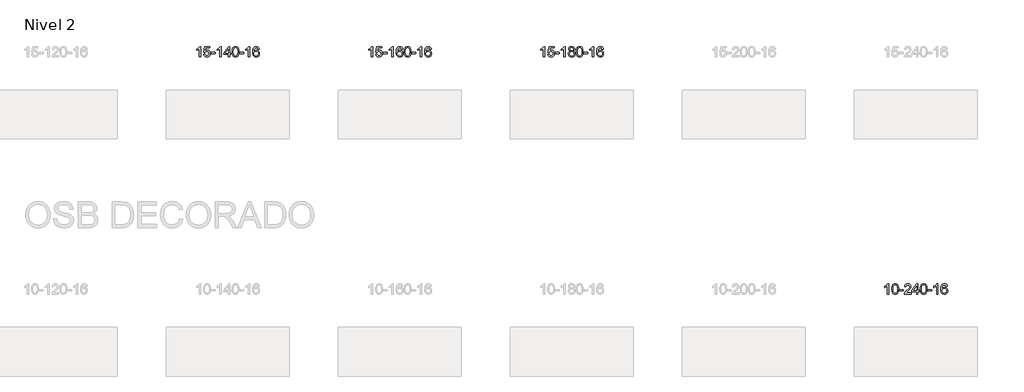
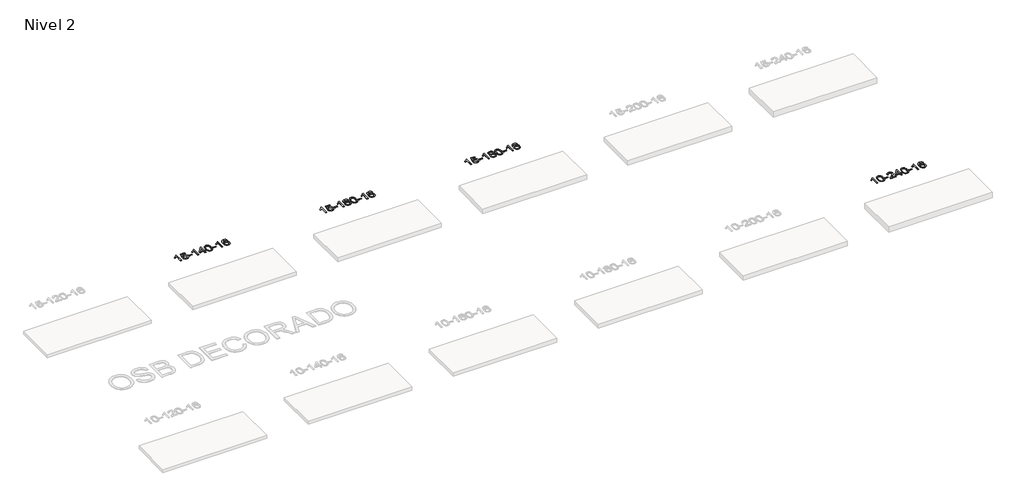
# One storey, part 36 of 51: 4 proxies.
"""IFC4 building model written with IfcOpenShell, lengths in millimetres."""

from ifc_helpers import new_model, si_unit, frame, origin, place, context, project, spatial, polyline, outline, extrude, element, save

model = new_model("IFC4")

# Units and contexts
model_context = context("Model", 3, world=origin())
ifc_project = project(units=[si_unit("LENGTHUNIT", "METRE", prefix="MILLI")], contexts=[model_context])

# Site, building, storey
site = spatial("IfcSite", under=ifc_project)
building = spatial("IfcBuilding", under=site)
storey = spatial("IfcBuildingStorey", under=building, Name="Nivel 2", Elevation=3000.0)

# Proxies
placement = place(None, origin())
element("IfcBuildingElementProxy", 1, Name="Texto de modelo 1", ObjectType="Texto de modelo 1", at=placement, inside=storey, context=model_context, shape_type="SweptSolid", body=[
    extrude(outline(polyline([(31530.5538842, -77088.6860497), (31480.3257291, -77088.6860497), (31480.3257291, -76775.5448954), (31459.3564554, -76792.5042554), (31432.7463244, -76809.4390899), (31379.869419, -76834.7984221), (31379.869419, -76787.3171193), (31419.3186316, -76765.8573362), (31453.494869, -76740.3263258), (31480.4360937, -76713.1766345), (31498.1802686, -76686.8608091), (31530.5538842, -76686.8608091), (31530.5538842, -77088.6860497)])), frame((0.0, 0.0, 3000.0), z_axis=(0.0, 0.0, 1.0), x_axis=(1.0, 0.0, 0.0)), (0.0, 0.0, 1.0), 10.0),
    extrude(outline(polyline([(31649.8457525, -76981.9512202), (31700.0739076, -76975.6727008), (31709.2954829, -77005.8267617), (31725.3841889, -77027.4214348), (31748.266449, -77040.4076692), (31777.8686868, -77044.736414), (31796.9985506, -77043.2311636), (31813.8720714, -77038.7154121), (31828.4892494, -77031.1891596), (31840.8500844, -77020.6524061), (31850.678665, -77007.6263178), (31857.6990798, -76992.6320608), (31863.3154116, -76956.7390408), (31858.0546991, -76922.9429482), (31851.4788084, -76909.024746), (31842.2725615, -76897.0931066), (31830.4053014, -76887.5220434), (31815.8463715, -76880.6855697), (31778.6535018, -76875.2163907), (31754.2874509, -76877.3991572), (31734.5567133, -76883.9474567), (31718.7991011, -76893.9783724), (31706.352427, -76906.6089876), (31656.1242719, -76900.3304682), (31700.0739076, -76693.1393285), (31894.7080085, -76693.1393285), (31894.7080085, -76743.3674836), (31740.6880799, -76743.3674836), (31719.2037713, -76854.0263877), (31736.9295521, -76841.3221962), (31755.0845286, -76832.2477736), (31773.6687007, -76826.8031201), (31792.6820685, -76824.9882356), (31817.1431555, -76827.2384471), (31839.6115484, -76833.9890817), (31860.0872471, -76845.2401394), (31878.5702516, -76860.9916202), (31893.871077, -76880.2808995), (31904.8002379, -76902.1453527), (31911.3577345, -76926.5849799), (31913.5435667, -76953.5997811), (31911.575398, -76979.6213009), (31905.670892, -77003.8279362), (31895.8300486, -77026.219687), (31882.0528679, -77046.7965532), (31861.181696, -77067.8700602), (31836.8279079, -77082.9225651), (31808.9915036, -77091.9540681), (31777.6724831, -77094.9645691), (31751.7521309, -77093.030123), (31728.3395076, -77087.2267845), (31707.4346132, -77077.5545537), (31689.0374477, -77064.0134306), (31673.7304911, -77047.2778655), (31662.096223, -77028.0223087), (31654.1346434, -77006.2467603), (31649.8457525, -76981.9512202)])), frame((0.0, 0.0, 3000.0), z_axis=(0.0, 0.0, 1.0), x_axis=(1.0, 0.0, 0.0)), (0.0, 0.0, 1.0), 10.0),
    extrude(outline(polyline([(31944.9361636, -76969.3941814), (31944.9361636, -76919.1660264), (32101.8991482, -76919.1660264), (32101.8991482, -76969.3941814), (31944.9361636, -76969.3941814)])), frame((0.0, 0.0, 3000.0), z_axis=(0.0, 0.0, 1.0), x_axis=(1.0, 0.0, 0.0)), (0.0, 0.0, 1.0), 10.0),
    extrude(outline(polyline([(32334.2043654, -77088.6860497), (32283.9762103, -77088.6860497), (32283.9762103, -76775.5448954), (32263.0069366, -76792.5042554), (32236.3968056, -76809.4390899), (32183.5199002, -76834.7984221), (32183.5199002, -76787.3171193), (32222.9691128, -76765.8573362), (32257.1453502, -76740.3263258), (32284.0865749, -76713.1766345), (32301.8307498, -76686.8608091), (32334.2043654, -76686.8608091), (32334.2043654, -77088.6860497)])), frame((0.0, 0.0, 3000.0), z_axis=(0.0, 0.0, 1.0), x_axis=(1.0, 0.0, 0.0)), (0.0, 0.0, 1.0), 10.0),
    extrude(outline(polyline([(32616.7377377, -77088.6860497), (32616.7377377, -76994.508259), (32434.6606756, -76994.508259), (32434.6606756, -76944.2801039), (32629.2947765, -76693.1393285), (32666.9658928, -76693.1393285), (32666.9658928, -76944.2801039), (32717.1940479, -76944.2801039), (32717.1940479, -76994.508259), (32666.9658928, -76994.508259), (32666.9658928, -77088.6860497), (32616.7377377, -77088.6860497)]), holes=[polyline([(32616.7377377, -76944.2801039), (32616.7377377, -76789.0829529), (32496.4648507, -76944.2801039), (32616.7377377, -76944.2801039)])]), frame((0.0, 0.0, 3000.0), z_axis=(0.0, 0.0, 1.0), x_axis=(1.0, 0.0, 0.0)), (0.0, 0.0, 1.0), 10.0),
    extrude(outline(polyline([(32761.1436835, -76891.010791), (32764.8347662, -76826.6927555), (32775.9080143, -76775.3977426), (32794.2530631, -76736.3409375), (32806.1111261, -76721.1075572), (32819.7595481, -76708.7375251), (32835.2443144, -76699.1664619), (32852.6114103, -76692.3299881), (32892.9925906, -76686.8608091), (32923.9437291, -76690.0981707), (32951.6575061, -76699.8102554), (32974.8340718, -76715.6169184), (32992.1735765, -76737.1380151), (33005.2701755, -76764.1896045), (33015.7180242, -76796.5877456), (33022.5606293, -76837.7292154), (33024.8414977, -76891.010791), (33021.1872032, -76954.9609445), (33010.2243197, -77006.13333), (32991.9896355, -77045.2269234), (32980.1591637, -77060.5062889), (32966.5199387, -77072.9407003), (32951.0167783, -77082.5761429), (32933.5945001, -77089.4586019), (32892.9925906, -77094.9645691), (32865.3278646, -77092.5733362), (32840.8023982, -77085.3996372), (32819.4161916, -77073.4434724), (32801.1692446, -77056.7048416), (32783.6580616, -77026.4465475), (32771.1500738, -76988.7447744), (32763.6452811, -76943.5995222), (32761.1436835, -76891.010791)]), holes=[polyline([(32811.3718386, -76890.9126891), (32812.8433666, -76934.5772163), (32817.2579505, -76969.921479), (32824.6155904, -76996.9454772), (32834.9162863, -77015.649211), (32847.3752232, -77028.3748623), (32861.2075862, -77037.4646133), (32876.4133754, -77042.9184639), (32892.9925906, -77044.736414), (32909.5718059, -77042.9123325), (32924.777595, -77037.4400878), (32938.609958, -77028.31968), (32951.0688949, -77015.5511091), (32961.3695908, -76996.8167185), (32968.7272307, -76969.7988516), (32973.1418146, -76934.4975085), (32974.6133426, -76890.9126891), (32973.1908656, -76848.4039246), (32968.9234344, -76813.6819956), (32961.8110492, -76786.7469022), (32951.8537098, -76767.5986443), (32939.6032394, -76754.2506593), (32925.6114609, -76744.7163842), (32909.8783742, -76738.9958192), (32892.4039794, -76737.0889642), (32875.9106033, -76738.7689587), (32860.9623316, -76743.808942), (32847.5591642, -76752.2089142), (32835.7011012, -76763.9688753), (32825.0570488, -76784.8155217), (32817.4541543, -76812.9217062), (32812.8924175, -76848.2874286), (32811.3718386, -76890.9126891)])]), frame((0.0, 0.0, 3000.0), z_axis=(0.0, 0.0, 1.0), x_axis=(1.0, 0.0, 0.0)), (0.0, 0.0, 1.0), 10.0),
    extrude(outline(polyline([(33056.2340946, -76969.3941814), (33056.2340946, -76919.1660264), (33213.1970792, -76919.1660264), (33213.1970792, -76969.3941814), (33056.2340946, -76969.3941814)])), frame((0.0, 0.0, 3000.0), z_axis=(0.0, 0.0, 1.0), x_axis=(1.0, 0.0, 0.0)), (0.0, 0.0, 1.0), 10.0),
    extrude(outline(polyline([(33445.5022964, -77088.6860497), (33395.2741414, -77088.6860497), (33395.2741414, -76775.5448954), (33374.3048676, -76792.5042554), (33347.6947367, -76809.4390899), (33294.8178312, -76834.7984221), (33294.8178312, -76787.3171193), (33334.2670438, -76765.8573362), (33368.4432812, -76740.3263258), (33395.384506, -76713.1766345), (33413.1286809, -76686.8608091), (33445.5022964, -76686.8608091), (33445.5022964, -77088.6860497)])), frame((0.0, 0.0, 3000.0), z_axis=(0.0, 0.0, 1.0), x_axis=(1.0, 0.0, 0.0)), (0.0, 0.0, 1.0), 10.0),
    extrude(outline(polyline([(33822.2134595, -76793.5956387), (33771.9853044, -76799.8741581), (33763.8919005, -76774.9808097), (33752.9535425, -76757.9846615), (33730.1693843, -76742.3128885), (33702.6272856, -76737.0889642), (33679.2790416, -76740.130122), (33657.3042238, -76749.2535955), (33638.4318774, -76768.4692984), (33623.0176218, -76794.9200139), (33612.6065614, -76832.3336128), (33608.7438004, -76884.437966), (33628.891471, -76860.9303065), (33653.0367927, -76844.363354), (33679.8308646, -76834.5409047), (33707.9247863, -76831.266755), (33732.0578452, -76833.5047038), (33754.3269687, -76840.2185502), (33774.7321567, -76851.4082942), (33793.2734092, -76867.0739358), (33808.6815334, -76886.2835074), (33819.6873365, -76908.105041), (33826.2908183, -76932.5385369), (33828.4919789, -76959.5839949), (33824.3471751, -76995.5505913), (33811.9127636, -77028.8929628), (33792.2188142, -77057.1708255), (33766.2953962, -77077.9438955), (33735.3197322, -77090.7094007), (33700.4690446, -77094.9645691), (33670.5265158, -77092.1441405), (33643.4841235, -77083.6828546), (33619.3418676, -77069.5807115), (33598.099748, -77049.837711), (33580.7817031, -77023.6199875), (33568.411671, -76990.093675), (33560.9896518, -76949.2587736), (33558.5156454, -76901.1152831), (33561.2624976, -76847.1408631), (33569.5030543, -76801.0759059), (33583.2373154, -76762.9204116), (33602.465281, -76732.6743803), (33623.3057961, -76712.6309429), (33647.4695118, -76698.3142019), (33674.9564282, -76689.7241573), (33705.7665453, -76686.8608091), (33728.9001914, -76688.6327741), (33749.8388083, -76693.9486689), (33768.582396, -76702.8084936), (33785.1309544, -76715.2122482), (33799.0368938, -76730.7429998), (33809.8526245, -76748.9838154), (33817.5781464, -76769.934695), (33822.2134595, -76793.5956387)]), holes=[polyline([(33608.7438004, -76958.79918), (33611.6500682, -76981.0560407), (33620.3688715, -77002.3073573), (33633.9069289, -77020.5788297), (33651.2709591, -77033.8961579), (33672.2279701, -77042.02635), (33696.5449699, -77044.736414), (33729.6911377, -77039.1200823), (33743.6062742, -77032.0996675), (33755.7494457, -77022.2710869), (33765.5994861, -77010.0328792), (33772.6352293, -76995.7835832), (33778.2638238, -76961.2517266), (33772.7088057, -76928.1055588), (33765.765033, -76914.484728), (33756.0437513, -76902.8320658), (33743.8637916, -76893.4970601), (33729.5439849, -76886.829199), (33694.4848308, -76881.4949101), (33661.3877139, -76886.829199), (33633.7107252, -76902.8320658), (33622.7876956, -76914.3314438), (33614.9855316, -76927.4924222), (33610.3042332, -76942.3150009), (33608.7438004, -76958.79918)])]), frame((0.0, 0.0, 3000.0), z_axis=(0.0, 0.0, 1.0), x_axis=(1.0, 0.0, 0.0)), (0.0, 0.0, 1.0), 10.0),
])
element("IfcBuildingElementProxy", 2, Name="Texto de modelo 1", ObjectType="Texto de modelo 1", at=placement, inside=storey, context=model_context, shape_type="SweptSolid", body=[
    extrude(outline(polyline([(38245.494419, -77088.6860497), (38195.266264, -77088.6860497), (38195.266264, -76775.5448954), (38174.2969902, -76792.5042554), (38147.6868593, -76809.4390899), (38094.8099538, -76834.7984221), (38094.8099538, -76787.3171193), (38134.2591664, -76765.8573362), (38168.4354038, -76740.3263258), (38195.3766286, -76713.1766345), (38213.1208035, -76686.8608091), (38245.494419, -76686.8608091), (38245.494419, -77088.6860497)])), frame((0.0, 0.0, 3000.0), z_axis=(0.0, 0.0, 1.0), x_axis=(1.0, 0.0, 0.0)), (0.0, 0.0, 1.0), 10.0),
    extrude(outline(polyline([(38364.7862873, -76981.9512202), (38415.0144424, -76975.6727008), (38424.2360178, -77005.8267617), (38440.3247237, -77027.4214348), (38463.2069838, -77040.4076692), (38492.8092217, -77044.736414), (38511.9390854, -77043.2311636), (38528.8126063, -77038.7154121), (38543.4297842, -77031.1891596), (38555.7906192, -77020.6524061), (38565.6191999, -77007.6263178), (38572.6396146, -76992.6320608), (38578.2559464, -76956.7390408), (38572.9952339, -76922.9429482), (38566.4193432, -76909.024746), (38557.2130963, -76897.0931066), (38545.3458363, -76887.5220434), (38530.7869063, -76880.6855697), (38493.5940366, -76875.2163907), (38469.2279858, -76877.3991572), (38449.4972481, -76883.9474567), (38433.739636, -76893.9783724), (38421.2929618, -76906.6089876), (38371.0648067, -76900.3304682), (38415.0144424, -76693.1393285), (38609.6485433, -76693.1393285), (38609.6485433, -76743.3674836), (38455.6286147, -76743.3674836), (38434.1443062, -76854.0263877), (38451.870087, -76841.3221962), (38470.0250634, -76832.2477736), (38488.6092355, -76826.8031201), (38507.6226033, -76824.9882356), (38532.0836903, -76827.2384471), (38554.5520832, -76833.9890817), (38575.0277819, -76845.2401394), (38593.5107865, -76860.9916202), (38608.8116118, -76880.2808995), (38619.7407727, -76902.1453527), (38626.2982693, -76926.5849799), (38628.4841015, -76953.5997811), (38626.5159328, -76979.6213009), (38620.6114268, -77003.8279362), (38610.7705834, -77026.219687), (38596.9934027, -77046.7965532), (38576.1222308, -77067.8700602), (38551.7684428, -77082.9225651), (38523.9320385, -77091.9540681), (38492.6130179, -77094.9645691), (38466.6926657, -77093.030123), (38443.2800424, -77087.2267845), (38422.375148, -77077.5545537), (38403.9779826, -77064.0134306), (38388.6710259, -77047.2778655), (38377.0367578, -77028.0223087), (38369.0751783, -77006.2467603), (38364.7862873, -76981.9512202)])), frame((0.0, 0.0, 3000.0), z_axis=(0.0, 0.0, 1.0), x_axis=(1.0, 0.0, 0.0)), (0.0, 0.0, 1.0), 10.0),
    extrude(outline(polyline([(38659.8766984, -76969.3941814), (38659.8766984, -76919.1660264), (38816.839683, -76919.1660264), (38816.839683, -76969.3941814), (38659.8766984, -76969.3941814)])), frame((0.0, 0.0, 3000.0), z_axis=(0.0, 0.0, 1.0), x_axis=(1.0, 0.0, 0.0)), (0.0, 0.0, 1.0), 10.0),
    extrude(outline(polyline([(39049.1449002, -77088.6860497), (38998.9167452, -77088.6860497), (38998.9167452, -76775.5448954), (38977.9474714, -76792.5042554), (38951.3373404, -76809.4390899), (38898.460435, -76834.7984221), (38898.460435, -76787.3171193), (38937.9096476, -76765.8573362), (38972.085885, -76740.3263258), (38999.0271098, -76713.1766345), (39016.7712847, -76686.8608091), (39049.1449002, -76686.8608091), (39049.1449002, -77088.6860497)])), frame((0.0, 0.0, 3000.0), z_axis=(0.0, 0.0, 1.0), x_axis=(1.0, 0.0, 0.0)), (0.0, 0.0, 1.0), 10.0),
    extrude(outline(polyline([(39425.8560633, -76793.5956387), (39375.6279082, -76799.8741581), (39367.5345043, -76774.9808097), (39356.5961463, -76757.9846615), (39333.8119881, -76742.3128885), (39306.2698894, -76737.0889642), (39282.9216454, -76740.130122), (39260.9468276, -76749.2535955), (39242.0744812, -76768.4692984), (39226.6602256, -76794.9200139), (39216.2491652, -76832.3336128), (39212.3864042, -76884.437966), (39232.5340748, -76860.9303065), (39256.6793964, -76844.363354), (39283.4734684, -76834.5409047), (39311.5673901, -76831.266755), (39335.700449, -76833.5047038), (39357.9695725, -76840.2185502), (39378.3747604, -76851.4082942), (39396.916013, -76867.0739358), (39412.3241372, -76886.2835074), (39423.3299403, -76908.105041), (39429.9334221, -76932.5385369), (39432.1345827, -76959.5839949), (39427.9897789, -76995.5505913), (39415.5553674, -77028.8929628), (39395.861418, -77057.1708255), (39369.938, -77077.9438955), (39338.962336, -77090.7094007), (39304.1116484, -77094.9645691), (39274.1691196, -77092.1441405), (39247.1267273, -77083.6828546), (39222.9844714, -77069.5807115), (39201.7423518, -77049.837711), (39184.4243069, -77023.6199875), (39172.0542748, -76990.093675), (39164.6322556, -76949.2587736), (39162.1582492, -76901.1152831), (39164.9051014, -76847.1408631), (39173.1456581, -76801.0759059), (39186.8799192, -76762.9204116), (39206.1078848, -76732.6743803), (39226.9483999, -76712.6309429), (39251.1121156, -76698.3142019), (39278.599032, -76689.7241573), (39309.4091491, -76686.8608091), (39332.5427952, -76688.6327741), (39353.4814121, -76693.9486689), (39372.2249998, -76702.8084936), (39388.7735582, -76715.2122482), (39402.6794976, -76730.7429998), (39413.4952283, -76748.9838154), (39421.2207502, -76769.934695), (39425.8560633, -76793.5956387)]), holes=[polyline([(39212.3864042, -76958.79918), (39215.292672, -76981.0560407), (39224.0114753, -77002.3073573), (39237.5495327, -77020.5788297), (39254.9135629, -77033.8961579), (39275.8705739, -77042.02635), (39300.1875737, -77044.736414), (39333.3337415, -77039.1200823), (39347.248878, -77032.0996675), (39359.3920495, -77022.2710869), (39369.2420899, -77010.0328792), (39376.2778331, -76995.7835832), (39381.9064276, -76961.2517266), (39376.3514095, -76928.1055588), (39369.4076368, -76914.484728), (39359.6863551, -76902.8320658), (39347.5063954, -76893.4970601), (39333.1865887, -76886.829199), (39298.1274346, -76881.4949101), (39265.0303177, -76886.829199), (39237.353329, -76902.8320658), (39226.4302994, -76914.3314438), (39218.6281354, -76927.4924222), (39213.946837, -76942.3150009), (39212.3864042, -76958.79918)])]), frame((0.0, 0.0, 3000.0), z_axis=(0.0, 0.0, 1.0), x_axis=(1.0, 0.0, 0.0)), (0.0, 0.0, 1.0), 10.0),
    extrude(outline(polyline([(39476.0842184, -76891.010791), (39479.7753011, -76826.6927555), (39490.8485491, -76775.3977426), (39509.1935979, -76736.3409375), (39521.0516609, -76721.1075572), (39534.7000829, -76708.7375251), (39550.1848492, -76699.1664619), (39567.5519451, -76692.3299881), (39607.9331254, -76686.8608091), (39638.884264, -76690.0981707), (39666.5980409, -76699.8102554), (39689.7746066, -76715.6169184), (39707.1141113, -76737.1380151), (39720.2107104, -76764.1896045), (39730.658559, -76796.5877456), (39737.5011641, -76837.7292154), (39739.7820325, -76891.010791), (39736.127738, -76954.9609445), (39725.1648546, -77006.13333), (39706.9301703, -77045.2269234), (39695.0996985, -77060.5062889), (39681.4604735, -77072.9407003), (39665.9573131, -77082.5761429), (39648.535035, -77089.4586019), (39607.9331254, -77094.9645691), (39580.2683994, -77092.5733362), (39555.7429331, -77085.3996372), (39534.3567264, -77073.4434724), (39516.1097794, -77056.7048416), (39498.5985965, -77026.4465475), (39486.0906086, -76988.7447744), (39478.5858159, -76943.5995222), (39476.0842184, -76891.010791)]), holes=[polyline([(39526.3123734, -76890.9126891), (39527.7839014, -76934.5772163), (39532.1984854, -76969.921479), (39539.5561253, -76996.9454772), (39549.8568211, -77015.649211), (39562.315758, -77028.3748623), (39576.1481211, -77037.4646133), (39591.3539102, -77042.9184639), (39607.9331254, -77044.736414), (39624.5123407, -77042.9123325), (39639.7181298, -77037.4400878), (39653.5504928, -77028.31968), (39666.0094297, -77015.5511091), (39676.3101256, -76996.8167185), (39683.6677655, -76969.7988516), (39688.0823495, -76934.4975085), (39689.5538774, -76890.9126891), (39688.1314004, -76848.4039246), (39683.8639692, -76813.6819956), (39676.751584, -76786.7469022), (39666.7942447, -76767.5986443), (39654.5437742, -76754.2506593), (39640.5519957, -76744.7163842), (39624.818909, -76738.9958192), (39607.3445142, -76737.0889642), (39590.8511381, -76738.7689587), (39575.9028664, -76743.808942), (39562.499699, -76752.2089142), (39550.6416361, -76763.9688753), (39539.9975837, -76784.8155217), (39532.3946891, -76812.9217062), (39527.8329524, -76848.2874286), (39526.3123734, -76890.9126891)])]), frame((0.0, 0.0, 3000.0), z_axis=(0.0, 0.0, 1.0), x_axis=(1.0, 0.0, 0.0)), (0.0, 0.0, 1.0), 10.0),
    extrude(outline(polyline([(39771.1746294, -76969.3941814), (39771.1746294, -76919.1660264), (39928.137614, -76919.1660264), (39928.137614, -76969.3941814), (39771.1746294, -76969.3941814)])), frame((0.0, 0.0, 3000.0), z_axis=(0.0, 0.0, 1.0), x_axis=(1.0, 0.0, 0.0)), (0.0, 0.0, 1.0), 10.0),
    extrude(outline(polyline([(40160.4428313, -77088.6860497), (40110.2146762, -77088.6860497), (40110.2146762, -76775.5448954), (40089.2454025, -76792.5042554), (40062.6352715, -76809.4390899), (40009.758366, -76834.7984221), (40009.758366, -76787.3171193), (40049.2075787, -76765.8573362), (40083.383816, -76740.3263258), (40110.3250408, -76713.1766345), (40128.0692157, -76686.8608091), (40160.4428313, -76686.8608091), (40160.4428313, -77088.6860497)])), frame((0.0, 0.0, 3000.0), z_axis=(0.0, 0.0, 1.0), x_axis=(1.0, 0.0, 0.0)), (0.0, 0.0, 1.0), 10.0),
    extrude(outline(polyline([(40537.1539943, -76793.5956387), (40486.9258392, -76799.8741581), (40478.8324354, -76774.9808097), (40467.8940774, -76757.9846615), (40445.1099191, -76742.3128885), (40417.5678204, -76737.0889642), (40394.2195765, -76740.130122), (40372.2447586, -76749.2535955), (40353.3724123, -76768.4692984), (40337.9581567, -76794.9200139), (40327.5470962, -76832.3336128), (40323.6843353, -76884.437966), (40343.8320059, -76860.9303065), (40367.9773275, -76844.363354), (40394.7713995, -76834.5409047), (40422.8653212, -76831.266755), (40446.99838, -76833.5047038), (40469.2675035, -76840.2185502), (40489.6726915, -76851.4082942), (40508.213944, -76867.0739358), (40523.6220683, -76886.2835074), (40534.6278713, -76908.105041), (40541.2313531, -76932.5385369), (40543.4325137, -76959.5839949), (40539.2877099, -76995.5505913), (40526.8532985, -77028.8929628), (40507.159349, -77057.1708255), (40481.2359311, -77077.9438955), (40450.2602671, -77090.7094007), (40415.4095794, -77094.9645691), (40385.4670507, -77092.1441405), (40358.4246583, -77083.6828546), (40334.2824024, -77069.5807115), (40313.0402829, -77049.837711), (40295.7222379, -77023.6199875), (40283.3522059, -76990.093675), (40275.9301866, -76949.2587736), (40273.4561802, -76901.1152831), (40276.2030324, -76847.1408631), (40284.4435891, -76801.0759059), (40298.1778503, -76762.9204116), (40317.4058159, -76732.6743803), (40338.2463309, -76712.6309429), (40362.4100466, -76698.3142019), (40389.896963, -76689.7241573), (40420.7070801, -76686.8608091), (40443.8407262, -76688.6327741), (40464.7793431, -76693.9486689), (40483.5229308, -76702.8084936), (40500.0714892, -76715.2122482), (40513.9774286, -76730.7429998), (40524.7931593, -76748.9838154), (40532.5186812, -76769.934695), (40537.1539943, -76793.5956387)]), holes=[polyline([(40323.6843353, -76958.79918), (40326.590603, -76981.0560407), (40335.3094063, -77002.3073573), (40348.8474637, -77020.5788297), (40366.2114939, -77033.8961579), (40387.1685049, -77042.02635), (40411.4855048, -77044.736414), (40444.6316725, -77039.1200823), (40458.546809, -77032.0996675), (40470.6899805, -77022.2710869), (40480.5400209, -77010.0328792), (40487.5757641, -76995.7835832), (40493.2043586, -76961.2517266), (40487.6493405, -76928.1055588), (40480.7055678, -76914.484728), (40470.9842861, -76902.8320658), (40458.8043264, -76893.4970601), (40444.4845197, -76886.829199), (40409.4253656, -76881.4949101), (40376.3282488, -76886.829199), (40348.65126, -76902.8320658), (40337.7282304, -76914.3314438), (40329.9260664, -76927.4924222), (40325.2447681, -76942.3150009), (40323.6843353, -76958.79918)])]), frame((0.0, 0.0, 3000.0), z_axis=(0.0, 0.0, 1.0), x_axis=(1.0, 0.0, 0.0)), (0.0, 0.0, 1.0), 10.0),
])
element("IfcBuildingElementProxy", 3, Name="Texto de modelo 1", ObjectType="Texto de modelo 1", at=placement, inside=storey, context=model_context, shape_type="SweptSolid", body=[
    extrude(outline(polyline([(44960.4349539, -77088.6860497), (44910.2067988, -77088.6860497), (44910.2067988, -76775.5448954), (44889.2375251, -76792.5042554), (44862.6273941, -76809.4390899), (44809.7504886, -76834.7984221), (44809.7504886, -76787.3171193), (44849.1997013, -76765.8573362), (44883.3759386, -76740.3263258), (44910.3171634, -76713.1766345), (44928.0613383, -76686.8608091), (44960.4349539, -76686.8608091), (44960.4349539, -77088.6860497)])), frame((0.0, 0.0, 3000.0), z_axis=(0.0, 0.0, 1.0), x_axis=(1.0, 0.0, 0.0)), (0.0, 0.0, 1.0), 10.0),
    extrude(outline(polyline([(45079.7268222, -76981.9512202), (45129.9549772, -76975.6727008), (45139.1765526, -77005.8267617), (45155.2652585, -77027.4214348), (45178.1475186, -77040.4076692), (45207.7497565, -77044.736414), (45226.8796202, -77043.2311636), (45243.7531411, -77038.7154121), (45258.370319, -77031.1891596), (45270.7311541, -77020.6524061), (45280.5597347, -77007.6263178), (45287.5801494, -76992.6320608), (45293.1964812, -76956.7390408), (45287.9357687, -76922.9429482), (45281.359878, -76909.024746), (45272.1536311, -76897.0931066), (45260.2863711, -76887.5220434), (45245.7274411, -76880.6855697), (45208.5345714, -76875.2163907), (45184.1685206, -76877.3991572), (45164.4377829, -76883.9474567), (45148.6801708, -76893.9783724), (45136.2334966, -76906.6089876), (45086.0053415, -76900.3304682), (45129.9549772, -76693.1393285), (45324.5890782, -76693.1393285), (45324.5890782, -76743.3674836), (45170.5691495, -76743.3674836), (45149.084841, -76854.0263877), (45166.8106218, -76841.3221962), (45184.9655982, -76832.2477736), (45203.5497704, -76826.8031201), (45222.5631382, -76824.9882356), (45247.0242252, -76827.2384471), (45269.492618, -76833.9890817), (45289.9683167, -76845.2401394), (45308.4513213, -76860.9916202), (45323.7521466, -76880.2808995), (45334.6813076, -76902.1453527), (45341.2388041, -76926.5849799), (45343.4246363, -76953.5997811), (45341.4564676, -76979.6213009), (45335.5519616, -77003.8279362), (45325.7111182, -77026.219687), (45311.9339375, -77046.7965532), (45291.0627657, -77067.8700602), (45266.7089776, -77082.9225651), (45238.8725733, -77091.9540681), (45207.5535528, -77094.9645691), (45181.6332005, -77093.030123), (45158.2205772, -77087.2267845), (45137.3156828, -77077.5545537), (45118.9185174, -77064.0134306), (45103.6115607, -77047.2778655), (45091.9772926, -77028.0223087), (45084.0157131, -77006.2467603), (45079.7268222, -76981.9512202)])), frame((0.0, 0.0, 3000.0), z_axis=(0.0, 0.0, 1.0), x_axis=(1.0, 0.0, 0.0)), (0.0, 0.0, 1.0), 10.0),
    extrude(outline(polyline([(45374.8172332, -76969.3941814), (45374.8172332, -76919.1660264), (45531.7802178, -76919.1660264), (45531.7802178, -76969.3941814), (45374.8172332, -76969.3941814)])), frame((0.0, 0.0, 3000.0), z_axis=(0.0, 0.0, 1.0), x_axis=(1.0, 0.0, 0.0)), (0.0, 0.0, 1.0), 10.0),
    extrude(outline(polyline([(45764.0854351, -77088.6860497), (45713.85728, -77088.6860497), (45713.85728, -76775.5448954), (45692.8880063, -76792.5042554), (45666.2778753, -76809.4390899), (45613.4009698, -76834.7984221), (45613.4009698, -76787.3171193), (45652.8501824, -76765.8573362), (45687.0264198, -76740.3263258), (45713.9676446, -76713.1766345), (45731.7118195, -76686.8608091), (45764.0854351, -76686.8608091), (45764.0854351, -77088.6860497)])), frame((0.0, 0.0, 3000.0), z_axis=(0.0, 0.0, 1.0), x_axis=(1.0, 0.0, 0.0)), (0.0, 0.0, 1.0), 10.0),
    extrude(outline(polyline([(45956.5612949, -76867.3682414), (45929.6691211, -76854.1244896), (45910.7967747, -76836.1718482), (45899.6499503, -76813.8781993), (45895.9343421, -76787.6114249), (45897.9576931, -76767.1265291), (45904.027746, -76748.3461533), (45914.1445009, -76731.2702973), (45928.3079577, -76715.8989613), (45945.8375348, -76703.1947697), (45966.0526504, -76694.1203472), (45988.9533046, -76688.6756936), (46014.5394974, -76686.8608091), (46040.2483175, -76688.7186132), (46063.3206499, -76694.2920254), (46083.7564948, -76703.5810458), (46101.555852, -76716.5856743), (46115.9768262, -76732.2574473), (46126.277522, -76749.5479011), (46132.4579396, -76768.4570357), (46134.5180787, -76788.984851), (46130.8515215, -76814.4054969), (46119.8518499, -76836.319001), (46101.3964364, -76854.1612778), (46075.3626539, -76867.3682414), (46106.2770042, -76883.2975318), (46128.7791196, -76906.7561404), (46142.501118, -76936.6158957), (46147.0751175, -76971.7486262), (46144.8065119, -76996.8013901), (46138.000695, -77019.7694893), (46126.6576668, -77040.6529239), (46110.7774273, -77059.4516939), (46091.1938424, -77074.9885768), (46068.740778, -77086.0863503), (46043.418234, -77092.7450144), (46015.2262104, -77094.9645691), (45987.0341869, -77092.7358174), (45961.7116429, -77086.0495621), (45939.2585784, -77074.9058033), (45919.6749936, -77059.3045411), (45903.7947541, -77040.3739467), (45892.4517259, -77019.2421918), (45885.645909, -76995.9092762), (45883.3773034, -76970.3752001), (45888.1352438, -76933.8813062), (45902.4090652, -76903.8621354), (45925.4630036, -76881.3477573), (45956.5612949, -76867.3682414)]), holes=[polyline([(45933.6054584, -76968.6093665), (45935.7023858, -76987.8250694), (45941.9931679, -77006.4276356), (45953.6059762, -77022.6512316), (45971.6689822, -77034.7300238), (45993.3004435, -77042.2348165), (46015.6186179, -77044.736414), (46049.807118, -77039.4757015), (46063.7007947, -77032.8998109), (46075.4607558, -77023.6935639), (46091.5004108, -76999.793497), (46096.8469624, -76970.1789964), (46091.3287325, -76940.0617237), (46074.7740427, -76915.6343592), (46062.6952505, -76906.1920547), (46048.5317937, -76899.4475514), (46013.9508862, -76894.0519488), (45980.2406327, -76899.373975), (45966.5033059, -76906.0265078), (45954.8445123, -76915.3400536), (45938.9152219, -76939.3014342), (45933.6054584, -76968.6093665)]), polyline([(45946.1624972, -76789.0829529), (45950.6138693, -76811.0087198), (45963.9679858, -76828.5199027), (45985.832439, -76839.997821), (46015.8148216, -76843.8237937), (46045.0982284, -76840.0223465), (46066.6315879, -76828.6180046), (46079.8753397, -76811.6954328), (46084.2899237, -76791.3392958), (46079.7281869, -76770.2106065), (46066.0429767, -76752.7362117), (46044.2153117, -76741.0007761), (46015.2262104, -76737.0889642), (45986.0531682, -76740.914937), (45964.2622914, -76752.3928552), (45950.6874457, -76769.2173251), (45946.1624972, -76789.0829529)])]), frame((0.0, 0.0, 3000.0), z_axis=(0.0, 0.0, 1.0), x_axis=(1.0, 0.0, 0.0)), (0.0, 0.0, 1.0), 10.0),
    extrude(outline(polyline([(46191.0247532, -76891.010791), (46194.7158359, -76826.6927555), (46205.7890839, -76775.3977426), (46224.1341328, -76736.3409375), (46235.9921957, -76721.1075572), (46249.6406178, -76708.7375251), (46265.1253841, -76699.1664619), (46282.4924799, -76692.3299881), (46322.8736603, -76686.8608091), (46353.8247988, -76690.0981707), (46381.5385758, -76699.8102554), (46404.7151415, -76715.6169184), (46422.0546462, -76737.1380151), (46435.1512452, -76764.1896045), (46445.5990939, -76796.5877456), (46452.441699, -76837.7292154), (46454.7225673, -76891.010791), (46451.0682729, -76954.9609445), (46440.1053894, -77006.13333), (46421.8707052, -77045.2269234), (46410.0402333, -77060.5062889), (46396.4010084, -77072.9407003), (46380.897848, -77082.5761429), (46363.4755698, -77089.4586019), (46322.8736603, -77094.9645691), (46295.2089342, -77092.5733362), (46270.6834679, -77085.3996372), (46249.2972612, -77073.4434724), (46231.0503143, -77056.7048416), (46213.5391313, -77026.4465475), (46201.0311435, -76988.7447744), (46193.5263508, -76943.5995222), (46191.0247532, -76891.010791)]), holes=[polyline([(46241.2529083, -76890.9126891), (46242.7244362, -76934.5772163), (46247.1390202, -76969.921479), (46254.4966601, -76996.9454772), (46264.797356, -77015.649211), (46277.2562929, -77028.3748623), (46291.0886559, -77037.4646133), (46306.294445, -77042.9184639), (46322.8736603, -77044.736414), (46339.4528755, -77042.9123325), (46354.6586646, -77037.4400878), (46368.4910277, -77028.31968), (46380.9499646, -77015.5511091), (46391.2506604, -76996.8167185), (46398.6083003, -76969.7988516), (46403.0228843, -76934.4975085), (46404.4944123, -76890.9126891), (46403.0719352, -76848.4039246), (46398.8045041, -76813.6819956), (46391.6921188, -76786.7469022), (46381.7347795, -76767.5986443), (46369.4843091, -76754.2506593), (46355.4925305, -76744.7163842), (46339.7594438, -76738.9958192), (46322.2850491, -76737.0889642), (46305.791673, -76738.7689587), (46290.8434012, -76743.808942), (46277.4402339, -76752.2089142), (46265.5821709, -76763.9688753), (46254.9381185, -76784.8155217), (46247.3352239, -76812.9217062), (46242.7734872, -76848.2874286), (46241.2529083, -76890.9126891)])]), frame((0.0, 0.0, 3000.0), z_axis=(0.0, 0.0, 1.0), x_axis=(1.0, 0.0, 0.0)), (0.0, 0.0, 1.0), 10.0),
    extrude(outline(polyline([(46486.1151643, -76969.3941814), (46486.1151643, -76919.1660264), (46643.0781489, -76919.1660264), (46643.0781489, -76969.3941814), (46486.1151643, -76969.3941814)])), frame((0.0, 0.0, 3000.0), z_axis=(0.0, 0.0, 1.0), x_axis=(1.0, 0.0, 0.0)), (0.0, 0.0, 1.0), 10.0),
    extrude(outline(polyline([(46875.3833661, -77088.6860497), (46825.155211, -77088.6860497), (46825.155211, -76775.5448954), (46804.1859373, -76792.5042554), (46777.5758063, -76809.4390899), (46724.6989009, -76834.7984221), (46724.6989009, -76787.3171193), (46764.1481135, -76765.8573362), (46798.3243508, -76740.3263258), (46825.2655756, -76713.1766345), (46843.0097505, -76686.8608091), (46875.3833661, -76686.8608091), (46875.3833661, -77088.6860497)])), frame((0.0, 0.0, 3000.0), z_axis=(0.0, 0.0, 1.0), x_axis=(1.0, 0.0, 0.0)), (0.0, 0.0, 1.0), 10.0),
    extrude(outline(polyline([(47252.0945291, -76793.5956387), (47201.8663741, -76799.8741581), (47193.7729702, -76774.9808097), (47182.8346122, -76757.9846615), (47160.050454, -76742.3128885), (47132.5083552, -76737.0889642), (47109.1601113, -76740.130122), (47087.1852934, -76749.2535955), (47068.3129471, -76768.4692984), (47052.8986915, -76794.9200139), (47042.487631, -76832.3336128), (47038.6248701, -76884.437966), (47058.7725407, -76860.9303065), (47082.9178623, -76844.363354), (47109.7119343, -76834.5409047), (47137.805856, -76831.266755), (47161.9389149, -76833.5047038), (47184.2080383, -76840.2185502), (47204.6132263, -76851.4082942), (47223.1544789, -76867.0739358), (47238.5626031, -76886.2835074), (47249.5684061, -76908.105041), (47256.1718879, -76932.5385369), (47258.3730485, -76959.5839949), (47254.2282447, -76995.5505913), (47241.7938333, -77028.8929628), (47222.0998838, -77057.1708255), (47196.1764659, -77077.9438955), (47165.2008019, -77090.7094007), (47130.3501142, -77094.9645691), (47100.4075855, -77092.1441405), (47073.3651932, -77083.6828546), (47049.2229372, -77069.5807115), (47027.9808177, -77049.837711), (47010.6627728, -77023.6199875), (46998.2927407, -76990.093675), (46990.8707214, -76949.2587736), (46988.396715, -76901.1152831), (46991.1435672, -76847.1408631), (46999.3841239, -76801.0759059), (47013.1183851, -76762.9204116), (47032.3463507, -76732.6743803), (47053.1868657, -76712.6309429), (47077.3505814, -76698.3142019), (47104.8374978, -76689.7241573), (47135.6476149, -76686.8608091), (47158.7812611, -76688.6327741), (47179.719878, -76693.9486689), (47198.4634656, -76702.8084936), (47215.012024, -76715.2122482), (47228.9179635, -76730.7429998), (47239.7336941, -76748.9838154), (47247.459216, -76769.934695), (47252.0945291, -76793.5956387)]), holes=[polyline([(47038.6248701, -76958.79918), (47041.5311378, -76981.0560407), (47050.2499411, -77002.3073573), (47063.7879986, -77020.5788297), (47081.1520287, -77033.8961579), (47102.1090397, -77042.02635), (47126.4260396, -77044.736414), (47159.5722074, -77039.1200823), (47173.4873438, -77032.0996675), (47185.6305154, -77022.2710869), (47195.4805558, -77010.0328792), (47202.5162989, -76995.7835832), (47208.1448935, -76961.2517266), (47202.5898753, -76928.1055588), (47195.6461027, -76914.484728), (47185.9248209, -76902.8320658), (47173.7448612, -76893.4970601), (47159.4250546, -76886.829199), (47124.3659004, -76881.4949101), (47091.2687836, -76886.829199), (47063.5917948, -76902.8320658), (47052.6687652, -76914.3314438), (47044.8666013, -76927.4924222), (47040.1853029, -76942.3150009), (47038.6248701, -76958.79918)])]), frame((0.0, 0.0, 3000.0), z_axis=(0.0, 0.0, 1.0), x_axis=(1.0, 0.0, 0.0)), (0.0, 0.0, 1.0), 10.0),
])
element("IfcBuildingElementProxy", 4, Name="Texto de modelo 1", ObjectType="Texto de modelo 1", at=placement, inside=storey, context=model_context, shape_type="SweptSolid", body=[
    extrude(outline(polyline([(58390.3160235, -86347.0667526), (58340.0878684, -86347.0667526), (58340.0878684, -86033.9255983), (58319.1185947, -86050.8849583), (58292.5084637, -86067.8197928), (58239.6315583, -86093.179125), (58239.6315583, -86045.6978222), (58279.0807709, -86024.2380391), (58313.2570083, -85998.7070287), (58340.198233, -85971.5573374), (58357.9424079, -85945.241512), (58390.3160235, -85945.241512), (58390.3160235, -86347.0667526)])), frame((0.0, 0.0, 3000.0), z_axis=(0.0, 0.0, 1.0), x_axis=(1.0, 0.0, 0.0)), (0.0, 0.0, 1.0), 10.0),
    extrude(outline(polyline([(58509.6078918, -86149.3914939), (58513.2989745, -86085.0734584), (58524.3722226, -86033.7784455), (58542.7172714, -85994.7216404), (58554.5753344, -85979.4882601), (58568.2237564, -85967.118228), (58583.7085227, -85957.5471648), (58601.0756185, -85950.710691), (58641.4567989, -85945.241512), (58672.4079374, -85948.4788736), (58700.1217144, -85958.1909583), (58723.2982801, -85973.9976213), (58740.6377848, -85995.518718), (58753.7343838, -86022.5703074), (58764.1822325, -86054.9684485), (58771.0248376, -86096.1099183), (58773.305706, -86149.3914939), (58769.6514115, -86213.3416474), (58758.688528, -86264.5140329), (58740.4538438, -86303.6076263), (58728.623372, -86318.8869918), (58714.984147, -86331.3214032), (58699.4809866, -86340.9568458), (58682.0587084, -86347.8393048), (58641.4567989, -86353.345272), (58613.7920728, -86350.9540391), (58589.2666065, -86343.7803401), (58567.8803998, -86331.8241753), (58549.6334529, -86315.0855445), (58532.1222699, -86284.8272504), (58519.6142821, -86247.1254773), (58512.1094894, -86201.9802251), (58509.6078918, -86149.3914939)]), holes=[polyline([(58559.8360469, -86149.293392), (58561.3075749, -86192.9579192), (58565.7221588, -86228.3021819), (58573.0797987, -86255.3261801), (58583.3804946, -86274.0299139), (58595.8394315, -86286.7555652), (58609.6717945, -86295.8453162), (58624.8775836, -86301.2991668), (58641.4567989, -86303.1171169), (58658.0360141, -86301.2930354), (58673.2418033, -86295.8207907), (58687.0741663, -86286.7003829), (58699.5331032, -86273.931812), (58709.8337991, -86255.1974214), (58717.191439, -86228.1795545), (58721.6060229, -86192.8782114), (58723.0775509, -86149.293392), (58721.6550738, -86106.7846275), (58717.3876427, -86072.0626985), (58710.2752574, -86045.1276051), (58700.3179181, -86025.9793472), (58688.0674477, -86012.6313622), (58674.0756691, -86003.0970871), (58658.3425825, -85997.3765221), (58640.8681877, -85995.4696671), (58624.3748116, -85997.1496616), (58609.4265398, -86002.1896449), (58596.0233725, -86010.5896171), (58584.1653095, -86022.3495782), (58573.5212571, -86043.1962246), (58565.9183625, -86071.3024091), (58561.3566258, -86106.6681315), (58559.8360469, -86149.293392)])]), frame((0.0, 0.0, 3000.0), z_axis=(0.0, 0.0, 1.0), x_axis=(1.0, 0.0, 0.0)), (0.0, 0.0, 1.0), 10.0),
    extrude(outline(polyline([(58804.6983029, -86227.7748843), (58804.6983029, -86177.5467293), (58961.6612875, -86177.5467293), (58961.6612875, -86227.7748843), (58804.6983029, -86227.7748843)])), frame((0.0, 0.0, 3000.0), z_axis=(0.0, 0.0, 1.0), x_axis=(1.0, 0.0, 0.0)), (0.0, 0.0, 1.0), 10.0),
    extrude(outline(polyline([(59263.0302179, -86296.8385976), (59263.0302179, -86347.0667526), (58999.3324038, -86347.0667526), (59000.4360498, -86329.3838914), (59004.7280064, -86312.4367942), (59017.1133669, -86285.372942), (59035.2376865, -86259.1184303), (59061.45541, -86231.6376453), (59098.1209822, -86200.8949732), (59152.3222629, -86152.7514828), (59184.8430312, -86117.2140821), (59201.1034154, -86088.3721336), (59206.5235435, -86060.3150001), (59201.4099837, -86035.1641344), (59186.0693045, -86014.2561743), (59162.4880687, -86000.1662939), (59132.6528388, -85995.4696671), (59101.3215556, -86000.0559293), (59076.9800302, -86013.8147159), (59061.271469, -86035.6669065), (59055.8390782, -86064.5333803), (59005.6109232, -86058.254861), (59009.9304709, -86032.3253117), (59017.7878172, -86009.6699121), (59029.182962, -85990.2886623), (59044.1159053, -85974.1815623), (59062.2432906, -85961.5202903), (59083.2217614, -85952.4765246), (59107.0513177, -85947.0502652), (59133.7319594, -85945.241512), (59160.6517244, -85947.2526003), (59184.6100393, -85953.285865), (59205.6069042, -85963.3413062), (59223.642319, -85977.4189239), (59238.1276725, -85994.4763857), (59248.4743537, -86013.4713594), (59254.6823623, -86034.4038449), (59256.7516985, -86057.2738423), (59254.5198811, -86081.2965366), (59247.8244288, -86104.9022979), (59235.9418404, -86128.9127295), (59218.1486145, -86154.1494344), (59189.7849127, -86184.2789698), (59146.1908963, -86222.9678929), (59088.4088976, -86271.2830616), (59065.7473667, -86296.8385976), (59263.0302179, -86296.8385976)])), frame((0.0, 0.0, 3000.0), z_axis=(0.0, 0.0, 1.0), x_axis=(1.0, 0.0, 0.0)), (0.0, 0.0, 1.0), 10.0),
    extrude(outline(polyline([(59476.499877, -86347.0667526), (59476.499877, -86252.8889619), (59294.4228149, -86252.8889619), (59294.4228149, -86202.6608068), (59489.0569158, -85951.5200314), (59526.7280321, -85951.5200314), (59526.7280321, -86202.6608068), (59576.9561872, -86202.6608068), (59576.9561872, -86252.8889619), (59526.7280321, -86252.8889619), (59526.7280321, -86347.0667526), (59476.499877, -86347.0667526)]), holes=[polyline([(59476.499877, -86202.6608068), (59476.499877, -86047.4636558), (59356.22699, -86202.6608068), (59476.499877, -86202.6608068)])]), frame((0.0, 0.0, 3000.0), z_axis=(0.0, 0.0, 1.0), x_axis=(1.0, 0.0, 0.0)), (0.0, 0.0, 1.0), 10.0),
    extrude(outline(polyline([(59620.9058228, -86149.3914939), (59624.5969055, -86085.0734584), (59635.6701536, -86033.7784455), (59654.0152024, -85994.7216404), (59665.8732654, -85979.4882601), (59679.5216874, -85967.118228), (59695.0064537, -85957.5471648), (59712.3735496, -85950.710691), (59752.7547299, -85945.241512), (59783.7058684, -85948.4788736), (59811.4196454, -85958.1909583), (59834.5962111, -85973.9976213), (59851.9357158, -85995.518718), (59865.0323148, -86022.5703074), (59875.4801635, -86054.9684485), (59882.3227686, -86096.1099183), (59884.603637, -86149.3914939), (59880.9493425, -86213.3416474), (59869.986459, -86264.5140329), (59851.7517748, -86303.6076263), (59839.921303, -86318.8869918), (59826.282078, -86331.3214032), (59810.7789176, -86340.9568458), (59793.3566394, -86347.8393048), (59752.7547299, -86353.345272), (59725.0900039, -86350.9540391), (59700.5645375, -86343.7803401), (59679.1783309, -86331.8241753), (59660.9313839, -86315.0855445), (59643.4202009, -86284.8272504), (59630.9122131, -86247.1254773), (59623.4074204, -86201.9802251), (59620.9058228, -86149.3914939)]), holes=[polyline([(59671.1339779, -86149.293392), (59672.6055059, -86192.9579192), (59677.0200898, -86228.3021819), (59684.3777297, -86255.3261801), (59694.6784256, -86274.0299139), (59707.1373625, -86286.7555652), (59720.9697255, -86295.8453162), (59736.1755147, -86301.2991668), (59752.7547299, -86303.1171169), (59769.3339452, -86301.2930354), (59784.5397343, -86295.8207907), (59798.3720973, -86286.7003829), (59810.8310342, -86273.931812), (59821.1317301, -86255.1974214), (59828.48937, -86228.1795545), (59832.9039539, -86192.8782114), (59834.3754819, -86149.293392), (59832.9530049, -86106.7846275), (59828.6855737, -86072.0626985), (59821.5731885, -86045.1276051), (59811.6158491, -86025.9793472), (59799.3653787, -86012.6313622), (59785.3736002, -86003.0970871), (59769.6405135, -85997.3765221), (59752.1661187, -85995.4696671), (59735.6727426, -85997.1496616), (59720.7244709, -86002.1896449), (59707.3213035, -86010.5896171), (59695.4632405, -86022.3495782), (59684.8191881, -86043.1962246), (59677.2162936, -86071.3024091), (59672.6545568, -86106.6681315), (59671.1339779, -86149.293392)])]), frame((0.0, 0.0, 3000.0), z_axis=(0.0, 0.0, 1.0), x_axis=(1.0, 0.0, 0.0)), (0.0, 0.0, 1.0), 10.0),
    extrude(outline(polyline([(59915.9962339, -86227.7748843), (59915.9962339, -86177.5467293), (60072.9592185, -86177.5467293), (60072.9592185, -86227.7748843), (59915.9962339, -86227.7748843)])), frame((0.0, 0.0, 3000.0), z_axis=(0.0, 0.0, 1.0), x_axis=(1.0, 0.0, 0.0)), (0.0, 0.0, 1.0), 10.0),
    extrude(outline(polyline([(60305.2644357, -86347.0667526), (60255.0362807, -86347.0667526), (60255.0362807, -86033.9255983), (60234.0670069, -86050.8849583), (60207.456876, -86067.8197928), (60154.5799705, -86093.179125), (60154.5799705, -86045.6978222), (60194.0291831, -86024.2380391), (60228.2054205, -85998.7070287), (60255.1466453, -85971.5573374), (60272.8908202, -85945.241512), (60305.2644357, -85945.241512), (60305.2644357, -86347.0667526)])), frame((0.0, 0.0, 3000.0), z_axis=(0.0, 0.0, 1.0), x_axis=(1.0, 0.0, 0.0)), (0.0, 0.0, 1.0), 10.0),
    extrude(outline(polyline([(60681.9755988, -86051.9763416), (60631.7474437, -86058.254861), (60623.6540398, -86033.3615126), (60612.7156818, -86016.3653644), (60589.9315236, -86000.6935914), (60562.3894249, -85995.4696671), (60539.0411809, -85998.5108249), (60517.0663631, -86007.6342984), (60498.1940167, -86026.8500013), (60482.7797611, -86053.3007168), (60472.3687007, -86090.7143157), (60468.5059397, -86142.8186689), (60488.6536103, -86119.3110094), (60512.7989319, -86102.7440569), (60539.5930039, -86092.9216076), (60567.6869256, -86089.6474579), (60591.8199845, -86091.8854067), (60614.089108, -86098.5992531), (60634.494296, -86109.7889971), (60653.0355485, -86125.4546387), (60668.4436727, -86144.6642103), (60679.4494758, -86166.4857439), (60686.0529576, -86190.9192398), (60688.2541182, -86217.9646978), (60684.1093144, -86253.9312942), (60671.6749029, -86287.2736657), (60651.9809535, -86315.5515284), (60626.0575355, -86336.3245984), (60595.0818715, -86349.0901036), (60560.2311839, -86353.345272), (60530.2886551, -86350.5248434), (60503.2462628, -86342.0635575), (60479.1040069, -86327.9614144), (60457.8618873, -86308.2184139), (60440.5438424, -86282.0006904), (60428.1738103, -86248.4743779), (60420.7517911, -86207.6394765), (60418.2777847, -86159.495986), (60421.0246369, -86105.521566), (60429.2651936, -86059.4566088), (60442.9994547, -86021.3011145), (60462.2274203, -85991.0550832), (60483.0679354, -85971.0116458), (60507.2316511, -85956.6949048), (60534.7185675, -85948.1048602), (60565.5286846, -85945.241512), (60588.6623307, -85947.013477), (60609.6009476, -85952.3293718), (60628.3445353, -85961.1891965), (60644.8930937, -85973.5929511), (60658.7990331, -85989.1237027), (60669.6147638, -86007.3645183), (60677.3402857, -86028.3153979), (60681.9755988, -86051.9763416)]), holes=[polyline([(60468.5059397, -86217.1798829), (60471.4122075, -86239.4367436), (60480.1310108, -86260.6880602), (60493.6690682, -86278.9595326), (60511.0330984, -86292.2768608), (60531.9901094, -86300.4070529), (60556.3071092, -86303.1171169), (60589.453277, -86297.5007852), (60603.3684135, -86290.4803704), (60615.511585, -86280.6517898), (60625.3616254, -86268.4135821), (60632.3973686, -86254.1642861), (60638.0259631, -86219.6324295), (60632.470945, -86186.4862617), (60625.5271723, -86172.8654309), (60615.8058906, -86161.2127687), (60603.6259309, -86151.877763), (60589.3061242, -86145.2099019), (60554.2469701, -86139.875613), (60521.1498532, -86145.2099019), (60493.4728645, -86161.2127687), (60482.5498349, -86172.7121467), (60474.7476709, -86185.8731251), (60470.0663725, -86200.6957038), (60468.5059397, -86217.1798829)])]), frame((0.0, 0.0, 3000.0), z_axis=(0.0, 0.0, 1.0), x_axis=(1.0, 0.0, 0.0)), (0.0, 0.0, 1.0), 10.0),
])

save(model, "model.ifc")
